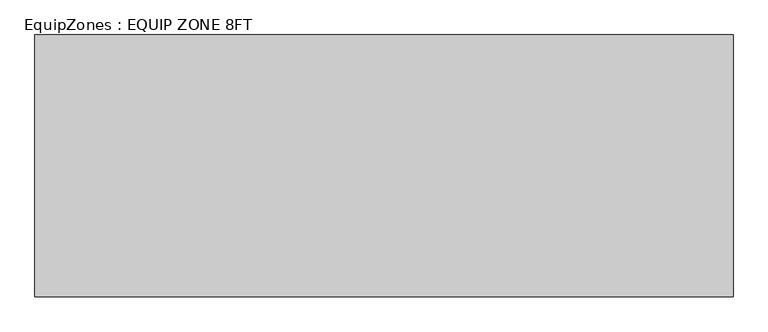
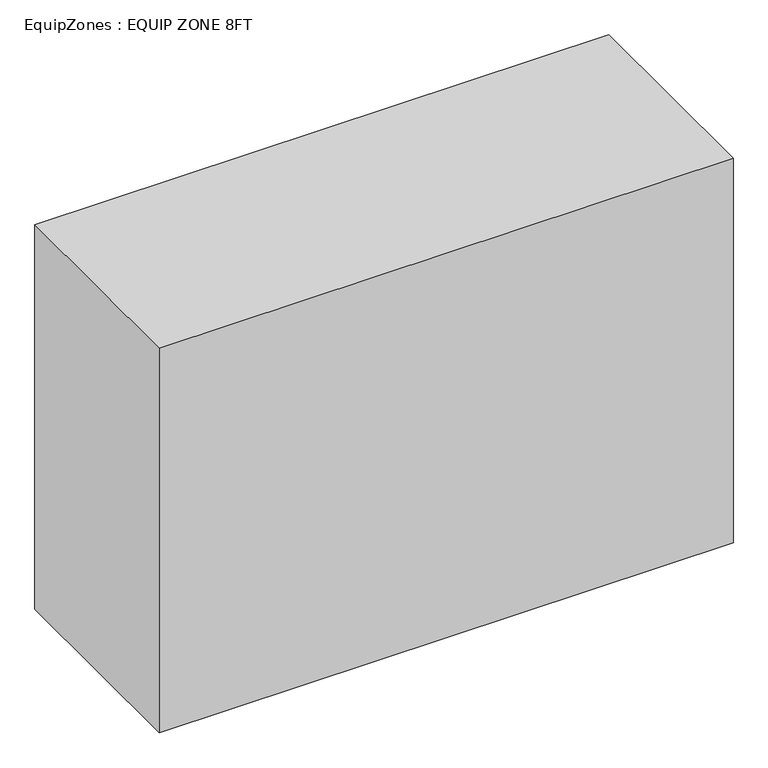
"""IFC4 building model written with IfcOpenShell, lengths in millimetres: proxy geometry, EquipZones : EQUIP ZONE 8FT."""

from ifc_helpers import new_model, si_unit, origin, origin_with_axes, place, context, project, spatial, polyline, outline, extrude, source, transform, mapped, element, save


def equipzones_equip_zone_8ft_d6e93217(model_context):
    return source(origin(), model_context, "Body", "SweptSolid", [
        extrude(outline(polyline([(254.0, 914.4), (254.0, 0.0), (-2184.4, 0.0), (-2184.4, 914.4), (254.0, 914.4)])), origin_with_axes(), (0.0, 0.0, 1.0), 1727.2),
    ])


if __name__ == "__main__":
    model = new_model("IFC4")
    model_context = context("Model", 3, world=origin())
    ifc_project = project(units=[si_unit("LENGTHUNIT", "METRE", prefix="MILLI")], contexts=[model_context])
    site = spatial("IfcSite", under=ifc_project)
    building = spatial("IfcBuilding", under=site)
    placement = place(None, origin())
    equipzones_equip_zone_8ft_shape = equipzones_equip_zone_8ft_d6e93217(model_context)
    element("IfcBuildingElementProxy", 1, Name="EquipZones : EQUIP ZONE 8FT", ObjectType="EquipZones : EQUIP ZONE 8FT", at=placement, inside=building, context=model_context, shape_type="MappedRepresentation", body=[
        mapped(equipzones_equip_zone_8ft_shape, transform((0.0, 0.0, 0.0), x_axis=(1.0, 0.0, 0.0), y_axis=(0.0, 1.0, 0.0), z_axis=(0.0, 0.0, 1.0))),
    ])
    save(model, "model.ifc")
